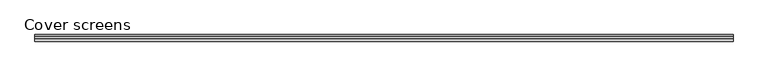
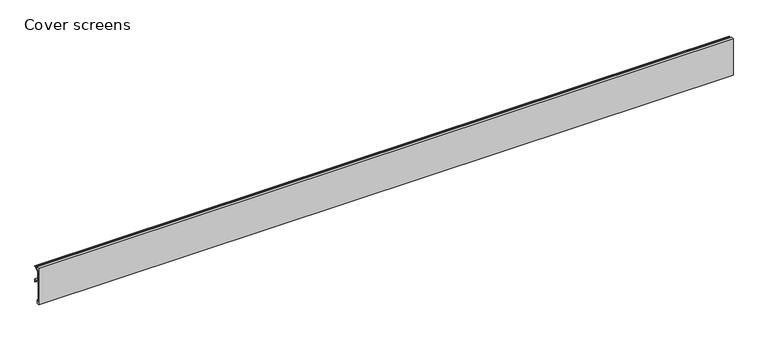
"""IFC4 building model written with IfcOpenShell, lengths in millimetres: proxy geometry, Cover screens."""

from ifc_helpers import new_model, si_unit, frame, origin, place, context, project, spatial, polyline, outline, extrude, source, transform, mapped, element, save


def cover_screens_87abba02(model_context):
    return source(origin(), model_context, "Body", "SweptSolid", [
        extrude(outline(polyline([(-3.2396744, 105.2573755), (0.0, 105.2573755), (0.0, 103.2573755), (-2.5987443, 103.2573755), (-11.3590699, 97.0), (-14.5351396, 97.0), (-14.5351396, 66.0), (0.0, 66.0), (0.0, 57.9863949), (-2.0, 57.9863949), (-2.0, 64.0), (-16.5351396, 64.0), (-16.5351396, 99.0), (-12.0, 99.0), (-3.2396744, 105.2573755)])), frame((0.0, 0.0, 0.0), z_axis=(1.0, 0.0, 0.0), x_axis=(0.0, 1.0, 0.0)), (0.0, 0.0, 1.0), 1950.0),
        extrude(outline(polyline([(-18.5, 109.0), (-12.0, 109.0), (-12.0, 99.0), (-16.5351396, 99.0), (-16.5351396, 10.0), (-10.65, 10.0), (-10.65, 0.0), (-18.5, 0.0), (-18.5, 109.0)])), frame((0.0, 0.0, 0.0), z_axis=(1.0, 0.0, 0.0), x_axis=(0.0, 1.0, 0.0)), (0.0, 0.0, 1.0), 1950.0),
    ])


if __name__ == "__main__":
    model = new_model("IFC4")
    model_context = context("Model", 3, world=origin())
    ifc_project = project(units=[si_unit("LENGTHUNIT", "METRE", prefix="MILLI")], contexts=[model_context])
    site = spatial("IfcSite", under=ifc_project)
    building = spatial("IfcBuilding", under=site)
    placement = place(None, origin())
    cover_screens_shape = cover_screens_87abba02(model_context)
    element("IfcBuildingElementProxy", 1, Name="Cover screens", ObjectType="Cover screens", at=placement, inside=building, context=model_context, shape_type="MappedRepresentation", body=[
        mapped(cover_screens_shape, transform((0.0, 0.0, 0.0), x_axis=(1.0, 0.0, 0.0), y_axis=(0.0, 1.0, 0.0), z_axis=(0.0, 0.0, 1.0))),
    ])
    save(model, "model.ifc")
